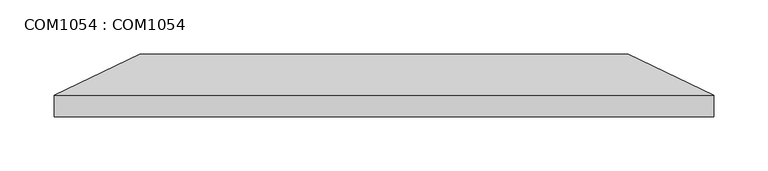
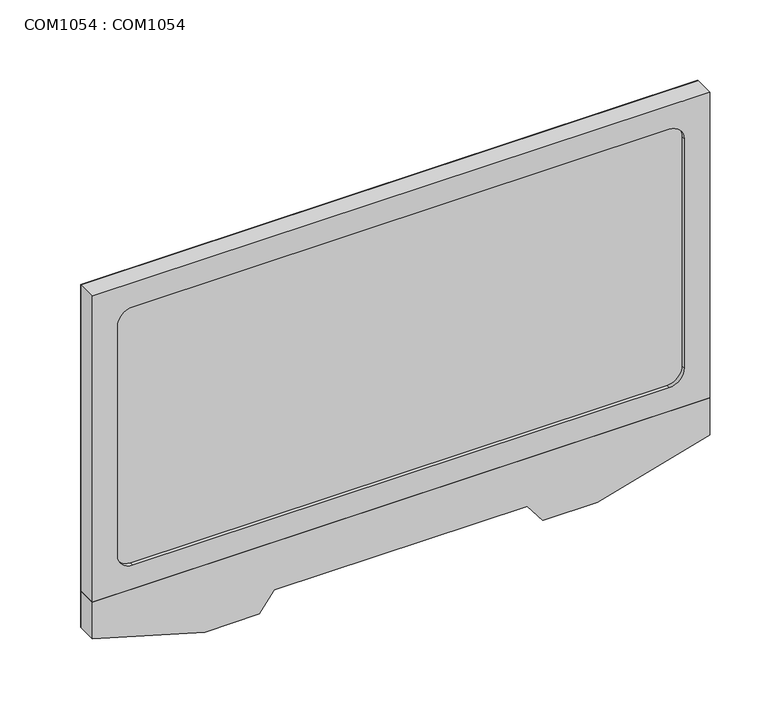
"""IFC4 building model written with IfcOpenShell, lengths in millimetres: proxy geometry, COM1054 : COM1054."""

from ifc_helpers import new_model, si_unit, point, frame, frame_2d, origin, place, context, project, spatial, polyline, circle_curve, trimmed, segment, composite_curve, outline, extrude, faceted_brep, source, transform, mapped, element, save


def com1054_com1054_b87e0e37(model_context):
    return source(origin(), model_context, "Body", "SolidModel", [
        faceted_brep([(-224.4999959, 0.0, 294.9999986), (227.4999945, 0.0, 294.9999986), (227.4999945, 0.0, 119.9999973), (-224.4999959, 0.0, 119.9999973), (-303.500002, -37.9999993, 389.9999957), (-303.500002, -37.9999993, 31.7142879), (306.5000006, -37.9999993, 31.7142879), (306.5000006, -37.9999993, 389.9999957)], [[[0, 1, 2, 3]], [[4, 5, 6, 7]], [[5, 4, 0, 3]], [[7, 6, 2, 1]], [[4, 7, 1, 0]], [[6, 5, 3, 2]]]),
        extrude(outline(composite_curve([segment(trimmed(circle_curve(frame_2d((350.0, -263.5)), 15.0), [point((365.0, -263.5))], [point((350.0, -278.5))], False, "CARTESIAN"), True, "CONTINUOUS"), segment(polyline([(350.0, -278.5), (110.0, -278.5)]), True, "CONTINUOUS"), segment(trimmed(circle_curve(frame_2d((110.0, -263.5)), 15.0), [point((110.0, -278.5))], [point((95.0, -263.5))], False, "CARTESIAN"), True, "CONTINUOUS"), segment(polyline([(95.0, -263.5), (95.0, 266.5)]), True, "CONTINUOUS"), segment(trimmed(circle_curve(frame_2d((110.0, 266.5)), 15.0), [point((95.0, 266.5))], [point((110.0, 281.5))], False, "CARTESIAN"), True, "CONTINUOUS"), segment(polyline([(110.0, 281.5), (350.0, 281.5)]), True, "CONTINUOUS"), segment(trimmed(circle_curve(frame_2d((350.0, 266.5)), 15.0), [point((350.0, 281.5))], [point((365.0, 266.5))], False, "CARTESIAN"), True, "CONTINUOUS"), segment(polyline([(365.0, 266.5), (365.0, -263.5)]), True, "CONTINUOUS")], self_intersect=False)), frame((0.0, -54.0, 0.0), z_axis=(0.0, 1.0, 0.0), x_axis=(0.0, 0.0, 1.0)), (0.0, 0.0, 1.0), 16.0000007),
        extrude(outline(polyline([(70.0000014, -303.500002), (31.7142879, -303.500002), (0.0, -192.5000051), (0.0, -138.5000036), (20.0000011, -123.5000017), (20.0000011, 126.5000002), (0.0, 141.5000022), (0.0, 195.5000037), (31.7142879, 306.5000006), (70.0000014, 306.5000006), (70.0000014, -303.500002)])), frame((0.0, -57.9999981, 0.0), z_axis=(0.0, 1.0, 0.0), x_axis=(0.0, 0.0, 1.0)), (0.0, 0.0, 1.0), 19.9999988),
        extrude(outline(polyline([(389.9999957, -303.500002), (70.0000014, -303.500002), (70.0000014, 306.5000006), (389.9999957, 306.5000006), (389.9999957, -303.500002)]), holes=[composite_curve([segment(trimmed(circle_curve(frame_2d((350.0, -263.5)), 15.0), [point((350.0, -278.5))], [point((365.0, -263.5))], True, "CARTESIAN"), True, "CONTINUOUS"), segment(polyline([(365.0, -263.5), (365.0, 266.5)]), True, "CONTINUOUS"), segment(trimmed(circle_curve(frame_2d((350.0, 266.5)), 15.0), [point((365.0, 266.5))], [point((350.0, 281.5))], True, "CARTESIAN"), True, "CONTINUOUS"), segment(polyline([(350.0, 281.5), (110.0, 281.5)]), True, "CONTINUOUS"), segment(trimmed(circle_curve(frame_2d((110.0, 266.5)), 15.0), [point((110.0, 281.5))], [point((95.0, 266.5))], True, "CARTESIAN"), True, "CONTINUOUS"), segment(polyline([(95.0, 266.5), (95.0, -263.5)]), True, "CONTINUOUS"), segment(trimmed(circle_curve(frame_2d((110.0, -263.5)), 15.0), [point((95.0, -263.5))], [point((110.0, -278.5))], True, "CARTESIAN"), True, "CONTINUOUS"), segment(polyline([(110.0, -278.5), (350.0, -278.5)]), True, "CONTINUOUS")], self_intersect=False)]), frame((0.0, -57.9999981, 0.0), z_axis=(0.0, 1.0, 0.0), x_axis=(0.0, 0.0, 1.0)), (0.0, 0.0, 1.0), 19.9999988),
    ])


if __name__ == "__main__":
    model = new_model("IFC4")
    model_context = context("Model", 3, world=origin())
    ifc_project = project(units=[si_unit("LENGTHUNIT", "METRE", prefix="MILLI")], contexts=[model_context])
    site = spatial("IfcSite", under=ifc_project)
    building = spatial("IfcBuilding", under=site)
    placement = place(None, origin())
    com1054_com1054_shape = com1054_com1054_b87e0e37(model_context)
    element("IfcBuildingElementProxy", 1, Name="COM1054 : COM1054", ObjectType="COM1054 : COM1054", at=placement, inside=building, context=model_context, shape_type="MappedRepresentation", body=[
        mapped(com1054_com1054_shape, transform((0.0, 0.0, 0.0), x_axis=(1.0, 0.0, 0.0), y_axis=(0.0, 1.0, 0.0), z_axis=(0.0, 0.0, 1.0))),
    ])
    save(model, "model.ifc")
